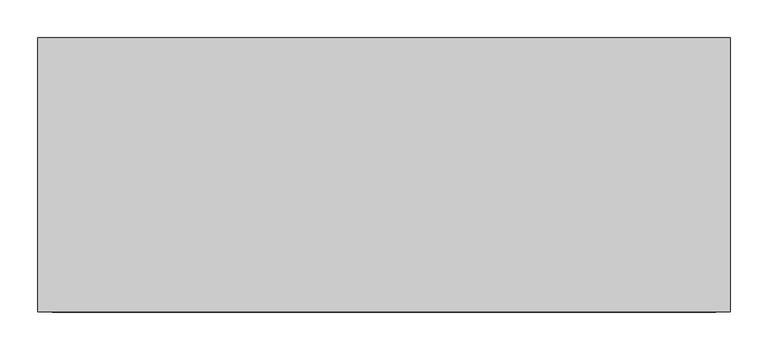
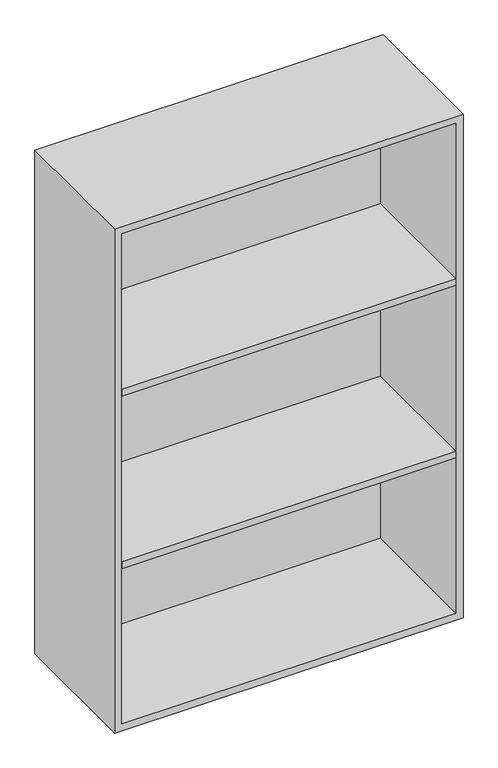
"""IFC4 building model written with IfcOpenShell, lengths in millimetres: furniture geometry."""

import ifcopenshell
import ifcopenshell.guid

model = None  # the IFC model being written
_history = None  # IfcOwnerHistory: only IFC2X3 demands one
_inside = {}  # id of a spatial element -> (the spatial element, [elements in it])
_under = {}  # id of a project, library or spatial element -> (it, [spatial elements below it])
_declared = {}  # id of a project -> (the project, [libraries it declares])
_typed = {}  # id of a type object -> (the type object, [elements of that type])
_made_of = {}  # id of a material, layer set ... -> (it, [elements and type objects made of it])


def new_model(schema):
    """Start an empty IFC model of exactly this schema.

    Asked for "IFC4X3", IfcOpenShell would pick the latest addendum, in which some entities
    have other attributes; the version numbers below select the first issue.
    IFC2X3 requires an IfcOwnerHistory on every rooted entity: one is made here for all.
    """
    global model, _history
    if schema == "IFC4X3":
        model = ifcopenshell.file(schema_version=(4, 3, 0, 0))
    else:
        model = ifcopenshell.file(schema=schema)
    _inside.clear()
    _under.clear()
    _declared.clear()
    _typed.clear()
    _made_of.clear()
    _history = None
    if model.schema == "IFC2X3":
        org = make("IfcOrganization", Name="unknown")
        user = make(
            "IfcPersonAndOrganization",
            ThePerson=make("IfcPerson", FamilyName="unknown"),
            TheOrganization=org,
        )
        app = make(
            "IfcApplication",
            ApplicationDeveloper=org,
            Version="unknown",
            ApplicationFullName="unknown",
            ApplicationIdentifier="unknown",
        )
        _history = make(
            "IfcOwnerHistory",
            OwningUser=user,
            OwningApplication=app,
            ChangeAction="ADDED",
            CreationDate=0,
        )
    return model


def make(cls, **values):
    """One entity of the class cls with the attributes given. An attribute that is None is left unset."""
    return model.create_entity(
        cls, **{name: value for name, value in values.items() if value is not None}
    )


def rooted(cls, **values):
    """An entity with a GlobalId (a new one), such as an element, a storey or a relation."""
    return make(cls, GlobalId=ifcopenshell.guid.new(), OwnerHistory=_history, **values)


def si_unit(unit_type, name, prefix=None):
    """IfcSIUnit, for example si_unit("LENGTHUNIT", "METRE", prefix="MILLI")."""
    return make("IfcSIUnit", UnitType=unit_type, Prefix=prefix, Name=name)


def assignment(units):
    """IfcUnitAssignment: the units of a project."""
    return None if units is None else make("IfcUnitAssignment", Units=units)


def point(xyz):
    """IfcCartesianPoint."""
    return None if xyz is None else make("IfcCartesianPoint", Coordinates=xyz)


def direction(xyz):
    """IfcDirection."""
    return None if xyz is None else make("IfcDirection", DirectionRatios=xyz)


def frame(location, z_axis=None, x_axis=None):
    """IfcAxis2Placement3D, a coordinate frame: its origin and axes. An axis left out is left unset."""
    return make(
        "IfcAxis2Placement3D",
        Location=point(location),
        Axis=direction(z_axis),
        RefDirection=direction(x_axis),
    )


def origin():
    """The frame at (0, 0, 0) with its axes left unset."""
    return frame((0.0, 0.0, 0.0))


def place(relative_to, where):
    """IfcLocalPlacement: puts the frame where relative to a parent placement (None: the world)."""
    return make(
        "IfcLocalPlacement", PlacementRelTo=relative_to, RelativePlacement=where
    )


def context(
    kind, dimensions, precision=None, world=None, true_north=None, identifier=None
):
    """IfcGeometricRepresentationContext, for example the 3D "Model" context."""
    return make(
        "IfcGeometricRepresentationContext",
        ContextIdentifier=identifier,
        ContextType=kind,
        CoordinateSpaceDimension=dimensions,
        Precision=precision,
        WorldCoordinateSystem=world,
        TrueNorth=true_north,
    )


def project(units=None, contexts=None):
    """IfcProject with its units and contexts."""
    return rooted(
        "IfcProject",
        Name="project",
        RepresentationContexts=contexts,
        UnitsInContext=assignment(units),
    )


def spatial(cls, under=None, at=None, **own):
    """A site, building, storey or space (cls), placed at a placement, below another one or the project."""
    s = rooted(cls, ObjectPlacement=at, **own)
    if under is not None:
        _under.setdefault(under.id(), (under, []))[1].append(s)
    return s


def polyline(points):
    """IfcPolyline through the points."""
    return make("IfcPolyline", Points=[point(p) for p in points])


def outline(outer, holes=None, kind="AREA"):
    """IfcArbitraryClosedProfileDef: a profile drawn as a closed curve; with holes, ...WithVoids."""
    if holes is None:
        return make("IfcArbitraryClosedProfileDef", ProfileType=kind, OuterCurve=outer)
    return make(
        "IfcArbitraryProfileDefWithVoids",
        ProfileType=kind,
        OuterCurve=outer,
        InnerCurves=holes,
    )


def extrude(swept, where, along, depth):
    """IfcExtrudedAreaSolid: the profile swept, set in the frame where, extruded along a direction by depth."""
    return make(
        "IfcExtrudedAreaSolid",
        SweptArea=swept,
        Position=where,
        ExtrudedDirection=direction(along),
        Depth=depth,
    )


def shape(context_of_items, identifier, shape_type, items):
    """IfcShapeRepresentation: the items that make up one representation, for example the "Body"."""
    return make(
        "IfcShapeRepresentation",
        ContextOfItems=context_of_items,
        RepresentationIdentifier=identifier,
        RepresentationType=shape_type,
        Items=items,
    )


def source(mapping_origin, context_of_items, identifier, shape_type, items):
    """IfcRepresentationMap: a shape defined once, which mapped items show again and again."""
    return make(
        "IfcRepresentationMap",
        MappingOrigin=mapping_origin,
        MappedRepresentation=shape(context_of_items, identifier, shape_type, items),
    )


def transform(
    local_origin,
    x_axis=None,
    y_axis=None,
    z_axis=None,
    scale=None,
    scale2=None,
    scale3=None,
    uniform=True,
):
    """IfcCartesianTransformationOperator3D, or its non-uniform kind. x_axis, y_axis, z_axis: its Axis1, 2, 3."""
    if uniform:
        return make(
            "IfcCartesianTransformationOperator3D",
            Axis1=direction(x_axis),
            Axis2=direction(y_axis),
            LocalOrigin=point(local_origin),
            Scale=scale,
            Axis3=direction(z_axis),
        )
    return make(
        "IfcCartesianTransformationOperator3DnonUniform",
        Axis1=direction(x_axis),
        Axis2=direction(y_axis),
        LocalOrigin=point(local_origin),
        Scale=scale,
        Axis3=direction(z_axis),
        Scale2=scale2,
        Scale3=scale3,
    )


def mapped(mapping_source, mapping_target):
    """IfcMappedItem: shows the shape of a source again, moved by a transform."""
    return make(
        "IfcMappedItem", MappingSource=mapping_source, MappingTarget=mapping_target
    )


def made_of(thing, what):
    """Note that an element or type object is made of a material, layer set ...; save() writes the relation."""
    if what is not None:
        _made_of.setdefault(what.id(), (what, []))[1].append(thing)
    return thing


def element(
    cls,
    number,
    at=None,
    inside=None,
    cuts=None,
    type_object=None,
    material=None,
    context=None,
    identifier="Body",
    shape_type=None,
    held_by="IfcProductDefinitionShape",
    body=None,
    shapes=None,
    **own,
):
    """One element of the class cls, such as IfcWall. Its Tag is "e" and its number.

    at: its placement. inside: the storey or other place that contains it. cuts: it is an
    opening in that element (IfcRelVoidsElement). A single representation is given by context,
    identifier, shape_type and body (its items); several are given by shapes. held_by: the class
    of the entity that holds the representations. save() writes the other relations.
    """
    e = rooted(cls, Tag="e%d" % number, ObjectPlacement=at, **own)
    if body is not None:
        shapes = [shape(context, identifier, shape_type, body)]
    if shapes is not None:
        e.Representation = make(held_by, Representations=shapes)
    if inside is not None:
        _inside.setdefault(inside.id(), (inside, []))[1].append(e)
    if cuts is not None:
        rooted(
            "IfcRelVoidsElement", RelatingBuildingElement=cuts, RelatedOpeningElement=e
        )
    if type_object is not None:
        _typed.setdefault(type_object.id(), (type_object, []))[1].append(e)
    return made_of(e, material)


def aggregate(whole, parts):
    """IfcRelAggregates: a whole, such as a stair, and the parts it consists of."""
    return rooted("IfcRelAggregates", RelatingObject=whole, RelatedObjects=parts)


def save(model, path):
    """Write the relations noted so far, then the file.

    IfcRelAggregates (storeys below a building ...), IfcRelContainedInSpatialStructure (elements
    in a storey), IfcRelDefinesByType, IfcRelAssociatesMaterial and IfcRelDeclares: one each for
    every whole, place, type object, material and project.
    """
    for whole, parts in _under.values():
        aggregate(whole, parts)
    for where, things in _inside.values():
        rooted(
            "IfcRelContainedInSpatialStructure",
            RelatedElements=things,
            RelatingStructure=where,
        )
    for kind, things in _typed.values():
        rooted("IfcRelDefinesByType", RelatedObjects=things, RelatingType=kind)
    for what, things in _made_of.values():
        rooted("IfcRelAssociatesMaterial", RelatedObjects=things, RelatingMaterial=what)
    for by, libraries in _declared.values():
        rooted("IfcRelDeclares", RelatingContext=by, RelatedDefinitions=libraries)
    model.write(path)


def furniture_7af072ba(model_context):
    return source(origin(), model_context, "Body", "SweptSolid", [
        extrude(outline(polyline([(438.1569453, 161.925), (438.1569453, -180.975), (-438.1291641, -180.975), (-438.1291641, 161.925), (438.1569453, 161.925)])), frame((0.0, 0.0, 1664.7583333), z_axis=(0.0, 0.0, 1.0), x_axis=(1.0, 0.0, 0.0)), (0.0, 0.0, 1.0), 19.05),
        extrude(outline(polyline([(438.1569453, 161.925), (438.1569453, -180.975), (-438.1291641, -180.975), (-438.1291641, 161.925), (438.1569453, 161.925)])), frame((0.0, 0.0, 1186.3916667), z_axis=(0.0, 0.0, 1.0), x_axis=(1.0, 0.0, 0.0)), (0.0, 0.0, 1.0), 19.05),
        extrude(outline(polyline([(736.6, -457.1861094), (736.6, 457.2138906), (2133.6, 457.2138906), (2133.6, -457.1861094), (736.6, -457.1861094)]), holes=[polyline([(755.65, -438.1361094), (2114.55, -438.1361094), (2114.55, 438.1569453), (755.65, 438.1569453), (755.65, -438.1361094)])]), frame((0.0, -180.975, 0.0), z_axis=(0.0, 1.0, 0.0), x_axis=(0.0, 0.0, 1.0)), (0.0, 0.0, 1.0), 361.95),
        extrude(outline(polyline([(-438.1291641, 161.925), (-438.1291641, 180.975), (438.1569453, 180.975), (438.1569453, 161.925), (-438.1291641, 161.925)])), frame((0.0, 0.0, 755.65), z_axis=(0.0, 0.0, 1.0), x_axis=(1.0, 0.0, 0.0)), (0.0, 0.0, 1.0), 1358.9),
    ])


if __name__ == "__main__":
    model = new_model("IFC4")
    model_context = context("Model", 3, world=origin())
    ifc_project = project(units=[si_unit("LENGTHUNIT", "METRE", prefix="MILLI")], contexts=[model_context])
    site = spatial("IfcSite", under=ifc_project)
    building = spatial("IfcBuilding", under=site)
    placement = place(None, origin())
    furniture_shape = furniture_7af072ba(model_context)
    element("IfcFurniture", 1, at=placement, inside=building, context=model_context, shape_type="MappedRepresentation", body=[
        mapped(furniture_shape, transform((0.0, 0.0, 0.0), x_axis=(1.0, 0.0, 0.0), y_axis=(0.0, 1.0, 0.0), z_axis=(0.0, 0.0, 1.0))),
    ])
    save(model, "model.ifc")
